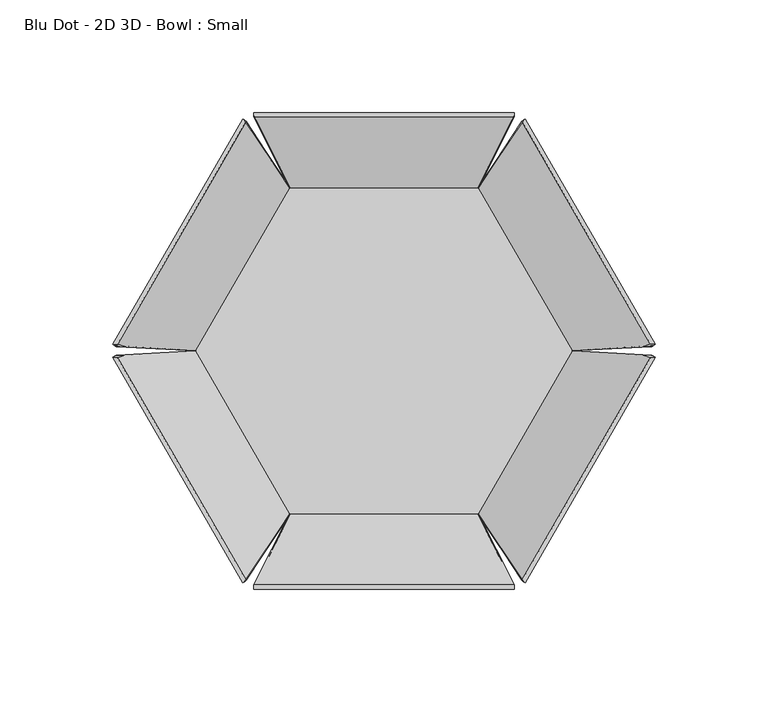
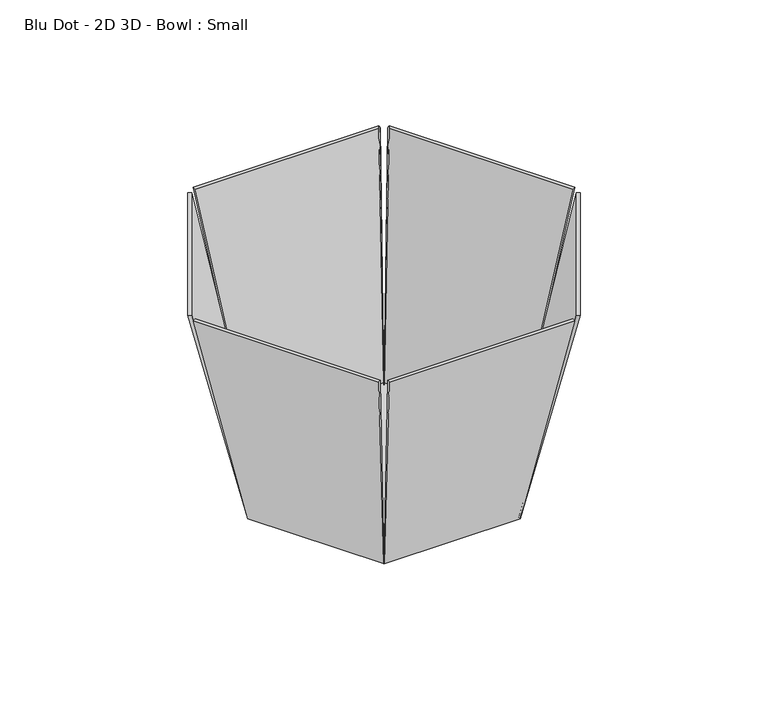
"""IFC4 building model written with IfcOpenShell, lengths in millimetres: furniture geometry, Blu Dot - 2D 3D - Bowl : Small."""

import ifcopenshell
import ifcopenshell.guid

model = None  # the IFC model being written
_history = None  # IfcOwnerHistory: only IFC2X3 demands one
_inside = {}  # id of a spatial element -> (the spatial element, [elements in it])
_under = {}  # id of a project, library or spatial element -> (it, [spatial elements below it])
_declared = {}  # id of a project -> (the project, [libraries it declares])
_typed = {}  # id of a type object -> (the type object, [elements of that type])
_made_of = {}  # id of a material, layer set ... -> (it, [elements and type objects made of it])


def new_model(schema):
    """Start an empty IFC model of exactly this schema.

    Asked for "IFC4X3", IfcOpenShell would pick the latest addendum, in which some entities
    have other attributes; the version numbers below select the first issue.
    IFC2X3 requires an IfcOwnerHistory on every rooted entity: one is made here for all.
    """
    global model, _history
    if schema == "IFC4X3":
        model = ifcopenshell.file(schema_version=(4, 3, 0, 0))
    else:
        model = ifcopenshell.file(schema=schema)
    _inside.clear()
    _under.clear()
    _declared.clear()
    _typed.clear()
    _made_of.clear()
    _history = None
    if model.schema == "IFC2X3":
        org = make("IfcOrganization", Name="unknown")
        user = make(
            "IfcPersonAndOrganization",
            ThePerson=make("IfcPerson", FamilyName="unknown"),
            TheOrganization=org,
        )
        app = make(
            "IfcApplication",
            ApplicationDeveloper=org,
            Version="unknown",
            ApplicationFullName="unknown",
            ApplicationIdentifier="unknown",
        )
        _history = make(
            "IfcOwnerHistory",
            OwningUser=user,
            OwningApplication=app,
            ChangeAction="ADDED",
            CreationDate=0,
        )
    return model


def make(cls, **values):
    """One entity of the class cls with the attributes given. An attribute that is None is left unset."""
    return model.create_entity(
        cls, **{name: value for name, value in values.items() if value is not None}
    )


def rooted(cls, **values):
    """An entity with a GlobalId (a new one), such as an element, a storey or a relation."""
    return make(cls, GlobalId=ifcopenshell.guid.new(), OwnerHistory=_history, **values)


def si_unit(unit_type, name, prefix=None):
    """IfcSIUnit, for example si_unit("LENGTHUNIT", "METRE", prefix="MILLI")."""
    return make("IfcSIUnit", UnitType=unit_type, Prefix=prefix, Name=name)


def assignment(units):
    """IfcUnitAssignment: the units of a project."""
    return None if units is None else make("IfcUnitAssignment", Units=units)


def point(xyz):
    """IfcCartesianPoint."""
    return None if xyz is None else make("IfcCartesianPoint", Coordinates=xyz)


def direction(xyz):
    """IfcDirection."""
    return None if xyz is None else make("IfcDirection", DirectionRatios=xyz)


def frame(location, z_axis=None, x_axis=None):
    """IfcAxis2Placement3D, a coordinate frame: its origin and axes. An axis left out is left unset."""
    return make(
        "IfcAxis2Placement3D",
        Location=point(location),
        Axis=direction(z_axis),
        RefDirection=direction(x_axis),
    )


def origin():
    """The frame at (0, 0, 0) with its axes left unset."""
    return frame((0.0, 0.0, 0.0))


def place(relative_to, where):
    """IfcLocalPlacement: puts the frame where relative to a parent placement (None: the world)."""
    return make(
        "IfcLocalPlacement", PlacementRelTo=relative_to, RelativePlacement=where
    )


def context(
    kind, dimensions, precision=None, world=None, true_north=None, identifier=None
):
    """IfcGeometricRepresentationContext, for example the 3D "Model" context."""
    return make(
        "IfcGeometricRepresentationContext",
        ContextIdentifier=identifier,
        ContextType=kind,
        CoordinateSpaceDimension=dimensions,
        Precision=precision,
        WorldCoordinateSystem=world,
        TrueNorth=true_north,
    )


def project(units=None, contexts=None):
    """IfcProject with its units and contexts."""
    return rooted(
        "IfcProject",
        Name="project",
        RepresentationContexts=contexts,
        UnitsInContext=assignment(units),
    )


def spatial(cls, under=None, at=None, **own):
    """A site, building, storey or space (cls), placed at a placement, below another one or the project."""
    s = rooted(cls, ObjectPlacement=at, **own)
    if under is not None:
        _under.setdefault(under.id(), (under, []))[1].append(s)
    return s


def polyline(points):
    """IfcPolyline through the points."""
    return make("IfcPolyline", Points=[point(p) for p in points])


def outline(outer, holes=None, kind="AREA"):
    """IfcArbitraryClosedProfileDef: a profile drawn as a closed curve; with holes, ...WithVoids."""
    if holes is None:
        return make("IfcArbitraryClosedProfileDef", ProfileType=kind, OuterCurve=outer)
    return make(
        "IfcArbitraryProfileDefWithVoids",
        ProfileType=kind,
        OuterCurve=outer,
        InnerCurves=holes,
    )


def extrude(swept, where, along, depth):
    """IfcExtrudedAreaSolid: the profile swept, set in the frame where, extruded along a direction by depth."""
    return make(
        "IfcExtrudedAreaSolid",
        SweptArea=swept,
        Position=where,
        ExtrudedDirection=direction(along),
        Depth=depth,
    )


def shape(context_of_items, identifier, shape_type, items):
    """IfcShapeRepresentation: the items that make up one representation, for example the "Body"."""
    return make(
        "IfcShapeRepresentation",
        ContextOfItems=context_of_items,
        RepresentationIdentifier=identifier,
        RepresentationType=shape_type,
        Items=items,
    )


def source(mapping_origin, context_of_items, identifier, shape_type, items):
    """IfcRepresentationMap: a shape defined once, which mapped items show again and again."""
    return make(
        "IfcRepresentationMap",
        MappingOrigin=mapping_origin,
        MappedRepresentation=shape(context_of_items, identifier, shape_type, items),
    )


def transform(
    local_origin,
    x_axis=None,
    y_axis=None,
    z_axis=None,
    scale=None,
    scale2=None,
    scale3=None,
    uniform=True,
):
    """IfcCartesianTransformationOperator3D, or its non-uniform kind. x_axis, y_axis, z_axis: its Axis1, 2, 3."""
    if uniform:
        return make(
            "IfcCartesianTransformationOperator3D",
            Axis1=direction(x_axis),
            Axis2=direction(y_axis),
            LocalOrigin=point(local_origin),
            Scale=scale,
            Axis3=direction(z_axis),
        )
    return make(
        "IfcCartesianTransformationOperator3DnonUniform",
        Axis1=direction(x_axis),
        Axis2=direction(y_axis),
        LocalOrigin=point(local_origin),
        Scale=scale,
        Axis3=direction(z_axis),
        Scale2=scale2,
        Scale3=scale3,
    )


def mapped(mapping_source, mapping_target):
    """IfcMappedItem: shows the shape of a source again, moved by a transform."""
    return make(
        "IfcMappedItem", MappingSource=mapping_source, MappingTarget=mapping_target
    )


def made_of(thing, what):
    """Note that an element or type object is made of a material, layer set ...; save() writes the relation."""
    if what is not None:
        _made_of.setdefault(what.id(), (what, []))[1].append(thing)
    return thing


def element(
    cls,
    number,
    at=None,
    inside=None,
    cuts=None,
    type_object=None,
    material=None,
    context=None,
    identifier="Body",
    shape_type=None,
    held_by="IfcProductDefinitionShape",
    body=None,
    shapes=None,
    **own,
):
    """One element of the class cls, such as IfcWall. Its Tag is "e" and its number.

    at: its placement. inside: the storey or other place that contains it. cuts: it is an
    opening in that element (IfcRelVoidsElement). A single representation is given by context,
    identifier, shape_type and body (its items); several are given by shapes. held_by: the class
    of the entity that holds the representations. save() writes the other relations.
    """
    e = rooted(cls, Tag="e%d" % number, ObjectPlacement=at, **own)
    if body is not None:
        shapes = [shape(context, identifier, shape_type, body)]
    if shapes is not None:
        e.Representation = make(held_by, Representations=shapes)
    if inside is not None:
        _inside.setdefault(inside.id(), (inside, []))[1].append(e)
    if cuts is not None:
        rooted(
            "IfcRelVoidsElement", RelatingBuildingElement=cuts, RelatedOpeningElement=e
        )
    if type_object is not None:
        _typed.setdefault(type_object.id(), (type_object, []))[1].append(e)
    return made_of(e, material)


def aggregate(whole, parts):
    """IfcRelAggregates: a whole, such as a stair, and the parts it consists of."""
    return rooted("IfcRelAggregates", RelatingObject=whole, RelatedObjects=parts)


def save(model, path):
    """Write the relations noted so far, then the file.

    IfcRelAggregates (storeys below a building ...), IfcRelContainedInSpatialStructure (elements
    in a storey), IfcRelDefinesByType, IfcRelAssociatesMaterial and IfcRelDeclares: one each for
    every whole, place, type object, material and project.
    """
    for whole, parts in _under.values():
        aggregate(whole, parts)
    for where, things in _inside.values():
        rooted(
            "IfcRelContainedInSpatialStructure",
            RelatedElements=things,
            RelatingStructure=where,
        )
    for kind, things in _typed.values():
        rooted("IfcRelDefinesByType", RelatedObjects=things, RelatingType=kind)
    for what, things in _made_of.values():
        rooted("IfcRelAssociatesMaterial", RelatedObjects=things, RelatingMaterial=what)
    for by, libraries in _declared.values():
        rooted("IfcRelDeclares", RelatingContext=by, RelatedDefinitions=libraries)
    model.write(path)


def plane_surface(at):
    """IfcPlane: the flat surface through the origin of the frame at, square to its z axis."""
    return make("IfcPlane", Position=at)


def spline_surface(u_degree, v_degree, points, u_multiplicities, v_multiplicities, u_knots, v_knots, weights=None):
    """IfcBSplineSurfaceWithKnots; with weights, IfcRationalBSplineSurfaceWithKnots. points: one row for each step in u."""
    own = dict(
        UDegree=u_degree,
        VDegree=v_degree,
        ControlPointsList=[[point(p) for p in row] for row in points],
        SurfaceForm="UNSPECIFIED",
        UClosed=False,
        VClosed=False,
        SelfIntersect=False,
        UMultiplicities=u_multiplicities,
        VMultiplicities=v_multiplicities,
        UKnots=u_knots,
        VKnots=v_knots,
        KnotSpec="UNSPECIFIED",
    )
    if weights is None:
        return make("IfcBSplineSurfaceWithKnots", **own)
    return make("IfcRationalBSplineSurfaceWithKnots", WeightsData=weights, **own)


def advanced_brep(points, edges, surfaces, faces):
    """IfcAdvancedBrep: a solid bounded by faces that lie on surfaces and meet in shared edges.

    An edge is (start, end): straight between two places in points (the first is 0);
    or (start, end, curve); or (start, end, curve, False) where it runs against its curve.
    A face is (place in surfaces, loops), or (place, loops, False) where it looks against
    its surface's normal. A loop lists edges by number (the first is 1), with a minus sign
    where the edge is run from its end to its start. The first loop is the outer one.
    """
    corners = [point(p) for p in points]
    vertices = [make("IfcVertexPoint", VertexGeometry=c) for c in corners]
    made = []
    for start, end, *more in edges:
        made.append(
            make(
                "IfcEdgeCurve",
                EdgeStart=vertices[start],
                EdgeEnd=vertices[end],
                EdgeGeometry=more[0] if more else make("IfcPolyline", Points=[corners[start], corners[end]]),
                SameSense=more[1] if len(more) > 1 else True,
            )
        )
    hull = []
    for where, loops, *sense in faces:
        bounds = []
        for j, loop in enumerate(loops):
            ring = [make("IfcOrientedEdge", EdgeElement=made[abs(k) - 1], Orientation=k > 0) for k in loop]
            bounds.append(
                make(
                    "IfcFaceOuterBound" if j == 0 else "IfcFaceBound",
                    Bound=make("IfcEdgeLoop", EdgeList=ring),
                    Orientation=True,
                )
            )
        hull.append(make("IfcAdvancedFace", Bounds=bounds, FaceSurface=surfaces[where], SameSense=sense[0] if sense else True))
    return make("IfcAdvancedBrep", Outer=make("IfcClosedShell", CfsFaces=hull))


def blu_dot_2d_3d_bowl_small_4125f60b(model_context):
    return source(origin(), model_context, "Body", "SolidModel", [
        extrude(outline(polyline([(-83.5657947, -6.6e-06), (-41.7828941, 72.3701), (41.7828941, 72.3701), (83.5657947, -6.6e-06), (41.7829018, -72.3701), (-41.7829018, -72.3701), (-83.5657947, -6.6e-06)])), frame((0.0, 0.0, 127.0), z_axis=(0.0, 0.0, 1.0), x_axis=(1.0, 0.0, 0.0)), (0.0, 0.0, 1.0), 1.4073938),
        advanced_brep(
        [(61.0913946, -101.9430887, 271.7559814), (62.7832964, -102.9199089, 271.7559814), (120.5228985, -2.9120087, 271.7559814), (118.8309967, -1.9351886, 271.7559814), (41.7828952, -72.3700939, 127.0), (83.5657922, -1.1e-05, 127.0), (84.9867923, -9.4e-06, 127.0), (42.4933936, -73.6007171, 127.0)],
        [
            (0, 1),
            (1, 2),
            (2, 3),
            (3, 0),
            (4, 5),
            (5, 6),
            (6, 7),
            (7, 4),
            (4, 0),
            (3, 5),
            (2, 6),
            (1, 7),
        ],
        [
            plane_surface(frame((90.8071465, -52.4275487, 271.7559814), z_axis=(0.0, 0.0, 1.0000000000000002), x_axis=(0.8660253512321979, -0.5000000910231401, 0.0))),
            plane_surface(frame((63.2072183, -36.4927079, 127.0), z_axis=(0.0, 0.0, -1.0000000000000002), x_axis=(0.8660253512321979, -0.5000000910231401, 0.0))),
            plane_surface(frame((62.6743437, -36.1850525, 127.0), z_axis=(-0.8462115932671279, 0.48856060975166266, 0.2126839674714399), x_axis=(-0.5000000910231401, -0.8660253512321978, 0.0))),
            spline_surface(1, 1, [[(84.9867923, -9.4e-06, 127.0), (120.5228985, -2.9120087, 271.7559814)], [(83.5657922, -1.1e-05, 127.0), (118.8309967, -1.9351886, 271.7559814)]], [2, 2], [2, 2], [0.0, 1.0], [0.0, 1.0]),
            plane_surface(frame((63.740093, -36.8003632, 127.0), z_axis=(0.8453245469637243, -0.4880484732052988, -0.21733637086910054), x_axis=(0.5000000910231401, 0.8660253512321978, 0.0))),
            spline_surface(1, 1, [[(41.7828952, -72.3700939, 127.0), (61.0913946, -101.9430887, 271.7559814)], [(42.4933936, -73.6007171, 127.0), (62.7832964, -102.9199089, 271.7559814)]], [2, 2], [2, 2], [0.0, 1.0], [0.0, 1.0]),
        ],
        [
            (0, [[1, 2, 3, 4]]),
            (1, [[5, 6, 7, 8]]),
            (2, [[-5, 9, -4, 10]]),
            (3, [[-6, -10, -3, 11]]),
            (4, [[-7, -11, -2, 12]]),
            (5, [[-8, -12, -1, -9]]),
        ],
    ),
        advanced_brep(
        [(61.0913946, 101.9430887, 271.7559814), (118.8309967, 1.9351886, 271.7559814), (120.5228985, 2.9120087, 271.7559814), (62.7832964, 102.9199089, 271.7559814), (41.7828952, 72.3700939, 127.0), (42.4933936, 73.6007171, 127.0), (84.9867923, 9.4e-06, 127.0), (83.5657922, 1.1e-05, 127.0)],
        [
            (0, 1),
            (1, 2),
            (2, 3),
            (3, 0),
            (4, 5),
            (5, 6),
            (6, 7),
            (7, 4),
            (7, 1),
            (0, 4),
            (6, 2),
            (5, 3),
        ],
        [
            plane_surface(frame((90.8071465, 52.4275487, 271.7559814), z_axis=(0.0, 0.0, 1.0), x_axis=(0.5000000910231401, -0.8660253512321978, 0.0))),
            plane_surface(frame((63.2072183, 36.4927079, 127.0), z_axis=(0.0, 0.0, -1.0), x_axis=(0.5000000910231401, -0.8660253512321978, 0.0))),
            plane_surface(frame((62.6743437, 36.1850525, 127.0), z_axis=(-0.8462115932671279, -0.48856060975166266, 0.21268396747143997), x_axis=(0.5000000910231401, -0.8660253512321978, 0.0))),
            spline_surface(1, 1, [[(83.5657922, 1.1e-05, 127.0), (118.8309967, 1.9351886, 271.7559814)], [(84.9867923, 9.4e-06, 127.0), (120.5228985, 2.9120087, 271.7559814)]], [2, 2], [2, 2], [0.0, 1.0], [0.0, 1.0]),
            plane_surface(frame((63.740093, 36.8003632, 127.0), z_axis=(0.8453245469637243, 0.4880484732052988, -0.21733637086910046), x_axis=(-0.5000000910231401, 0.8660253512321978, 0.0))),
            spline_surface(1, 1, [[(42.4933936, 73.6007171, 127.0), (62.7832964, 102.9199089, 271.7559814)], [(41.7828952, 72.3700939, 127.0), (61.0913946, 101.9430887, 271.7559814)]], [2, 2], [2, 2], [0.0, 1.0], [0.0, 1.0]),
        ],
        [
            (0, [[1, 2, 3, 4]]),
            (1, [[5, 6, 7, 8]]),
            (2, [[-8, 9, -1, 10]]),
            (3, [[-7, 11, -2, -9]]),
            (4, [[-6, 12, -3, -11]]),
            (5, [[-5, -10, -4, -12]]),
        ],
    ),
        advanced_brep(
        [(-61.0913946, -101.9430887, 271.7559814), (-118.8309967, -1.9351886, 271.7559814), (-120.5228985, -2.9120087, 271.7559814), (-62.7832964, -102.9199089, 271.7559814), (-41.7828952, -72.3700939, 127.0), (-42.4933936, -73.6007171, 127.0), (-84.9867923, -9.4e-06, 127.0), (-83.5657922, -1.1e-05, 127.0)],
        [
            (0, 1),
            (1, 2),
            (2, 3),
            (3, 0),
            (4, 5),
            (5, 6),
            (6, 7),
            (7, 4),
            (7, 1),
            (0, 4),
            (6, 2),
            (5, 3),
        ],
        [
            plane_surface(frame((-90.8071465, -52.4275487, 271.7559814), z_axis=(0.0, 0.0, 1.0), x_axis=(-0.5000000910231401, 0.8660253512321978, 0.0))),
            plane_surface(frame((-63.2072183, -36.4927079, 127.0), z_axis=(0.0, 0.0, -1.0), x_axis=(-0.5000000910231401, 0.8660253512321978, 0.0))),
            plane_surface(frame((-62.6743437, -36.1850525, 127.0), z_axis=(0.846211593267128, 0.4885606097516627, 0.21268396747143967), x_axis=(-0.5000000910231401, 0.8660253512321978, 0.0))),
            spline_surface(1, 1, [[(-83.5657922, -1.1e-05, 127.0), (-118.8309967, -1.9351886, 271.7559814)], [(-84.9867923, -9.4e-06, 127.0), (-120.5228985, -2.9120087, 271.7559814)]], [2, 2], [2, 2], [0.0, 1.0], [0.0, 1.0]),
            plane_surface(frame((-63.740093, -36.8003632, 127.0), z_axis=(-0.8453245469637243, -0.4880484732052988, -0.2173363708691003), x_axis=(0.5000000910231401, -0.8660253512321978, 0.0))),
            spline_surface(1, 1, [[(-42.4933936, -73.6007171, 127.0), (-62.7832964, -102.9199089, 271.7559814)], [(-41.7828952, -72.3700939, 127.0), (-61.0913946, -101.9430887, 271.7559814)]], [2, 2], [2, 2], [0.0, 1.0], [0.0, 1.0]),
        ],
        [
            (0, [[1, 2, 3, 4]]),
            (1, [[5, 6, 7, 8]]),
            (2, [[-8, 9, -1, 10]]),
            (3, [[-7, 11, -2, -9]]),
            (4, [[-6, 12, -3, -11]]),
            (5, [[-5, -10, -4, -12]]),
        ],
    ),
        advanced_brep(
        [(-61.0913946, 101.9430887, 271.7559814), (-62.7832964, 102.9199089, 271.7559814), (-120.5228985, 2.9120087, 271.7559814), (-118.8309967, 1.9351886, 271.7559814), (-41.7828952, 72.3700939, 127.0), (-83.5657922, 1.1e-05, 127.0), (-84.9867923, 9.4e-06, 127.0), (-42.4933936, 73.6007171, 127.0)],
        [
            (0, 1),
            (1, 2),
            (2, 3),
            (3, 0),
            (4, 5),
            (5, 6),
            (6, 7),
            (7, 4),
            (4, 0),
            (3, 5),
            (2, 6),
            (1, 7),
        ],
        [
            plane_surface(frame((-90.8071465, 52.4275487, 271.7559814), z_axis=(0.0, 0.0, 1.0), x_axis=(-0.8660253512321978, 0.5000000910231401, 0.0))),
            plane_surface(frame((-63.2072183, 36.4927079, 127.0), z_axis=(0.0, 0.0, -1.0), x_axis=(-0.8660253512321978, 0.5000000910231401, 0.0))),
            plane_surface(frame((-62.6743437, 36.1850525, 127.0), z_axis=(0.846211593267128, -0.4885606097516627, 0.21268396747143967), x_axis=(0.5000000910231401, 0.8660253512321978, 0.0))),
            spline_surface(1, 1, [[(-84.9867923, 9.4e-06, 127.0), (-120.5228985, 2.9120087, 271.7559814)], [(-83.5657922, 1.1e-05, 127.0), (-118.8309967, 1.9351886, 271.7559814)]], [2, 2], [2, 2], [0.0, 1.0], [0.0, 1.0]),
            plane_surface(frame((-63.740093, 36.8003632, 127.0), z_axis=(-0.8453245469637243, 0.4880484732052988, -0.2173363708691002), x_axis=(-0.5000000910231401, -0.8660253512321978, 0.0))),
            spline_surface(1, 1, [[(-41.7828952, 72.3700939, 127.0), (-61.0913946, 101.9430887, 271.7559814)], [(-42.4933936, 73.6007171, 127.0), (-62.7832964, 102.9199089, 271.7559814)]], [2, 2], [2, 2], [0.0, 1.0], [0.0, 1.0]),
        ],
        [
            (0, [[1, 2, 3, 4]]),
            (1, [[5, 6, 7, 8]]),
            (2, [[-5, 9, -4, 10]]),
            (3, [[-6, -10, -3, 11]]),
            (4, [[-7, -11, -2, 12]]),
            (5, [[-8, -12, -1, -9]]),
        ],
    ),
        advanced_brep(
        [(57.7395964, 103.8782501, 271.7559814), (57.7395964, 105.8318901, 271.7559814), (-57.7395868, 105.8318901, 271.7559814), (-57.7395868, 103.8782501, 271.7559814), (41.7828846, 72.3701, 127.0), (-41.7828941, 72.3701, 127.0), (-42.4933958, 73.6007214, 127.0), (42.4933863, 73.6007214, 127.0)],
        [
            (0, 1),
            (1, 2),
            (2, 3),
            (3, 0),
            (4, 5),
            (5, 6),
            (6, 7),
            (7, 4),
            (4, 0),
            (3, 5),
            (2, 6),
            (1, 7),
        ],
        [
            plane_surface(frame((4.8e-06, 104.8550701, 271.7559814), z_axis=(0.0, 0.0, 1.0), x_axis=(0.0, 1.0, 0.0))),
            plane_surface(frame((-4.8e-06, 72.9854107, 127.0), z_axis=(0.0, 0.0, -1.0), x_axis=(0.0, 1.0, 0.0))),
            plane_surface(frame((-4.8e-06, 72.3701, 127.0), z_axis=(0.0, -0.9771210416220744, 0.21268396747143997), x_axis=(1.0, 0.0, 0.0))),
            spline_surface(1, 1, [[(-42.4933958, 73.6007214, 127.0), (-57.7395868, 105.8318901, 271.7559814)], [(-41.7828941, 72.3701, 127.0), (-57.7395868, 103.8782501, 271.7559814)]], [2, 2], [2, 2], [0.0, 1.0], [0.0, 1.0]),
            plane_surface(frame((-4.8e-06, 73.6007214, 127.0), z_axis=(0.0, 0.9760967687158117, -0.2173363708691007), x_axis=(-1.0, 0.0, 0.0))),
            spline_surface(1, 1, [[(41.7828846, 72.3701, 127.0), (57.7395964, 103.8782501, 271.7559814)], [(42.4933863, 73.6007214, 127.0), (57.7395964, 105.8318901, 271.7559814)]], [2, 2], [2, 2], [0.0, 1.0], [0.0, 1.0]),
        ],
        [
            (0, [[1, 2, 3, 4]]),
            (1, [[5, 6, 7, 8]]),
            (2, [[-5, 9, -4, 10]]),
            (3, [[-6, -10, -3, 11]]),
            (4, [[-7, -11, -2, 12]]),
            (5, [[-8, -12, -1, -9]]),
        ],
    ),
        advanced_brep(
        [(57.7395964, -103.8782501, 271.7559814), (-57.7395868, -103.8782501, 271.7559814), (-57.7395868, -105.8318901, 271.7559814), (57.7395964, -105.8318901, 271.7559814), (41.7828846, -72.3701, 127.0), (42.4933863, -73.6007214, 127.0), (-42.4933958, -73.6007214, 127.0), (-41.7828941, -72.3701, 127.0)],
        [
            (0, 1),
            (1, 2),
            (2, 3),
            (3, 0),
            (4, 5),
            (5, 6),
            (6, 7),
            (7, 4),
            (7, 1),
            (0, 4),
            (6, 2),
            (5, 3),
        ],
        [
            plane_surface(frame((4.8e-06, -104.8550701, 271.7559814), z_axis=(0.0, 0.0, 1.0), x_axis=(-1.0, 0.0, 0.0))),
            plane_surface(frame((-4.8e-06, -72.9854107, 127.0), z_axis=(0.0, 0.0, -1.0), x_axis=(-1.0, 0.0, 0.0))),
            plane_surface(frame((-4.8e-06, -72.3701, 127.0), z_axis=(0.0, 0.9771210416220744, 0.21268396747144003), x_axis=(-1.0, 0.0, 0.0))),
            spline_surface(1, 1, [[(-41.7828941, -72.3701, 127.0), (-57.7395868, -103.8782501, 271.7559814)], [(-42.4933958, -73.6007214, 127.0), (-57.7395868, -105.8318901, 271.7559814)]], [2, 2], [2, 2], [0.0, 1.0], [0.0, 1.0]),
            plane_surface(frame((-4.8e-06, -73.6007214, 127.0), z_axis=(0.0, -0.9760967687158117, -0.21733637086910076), x_axis=(1.0, 0.0, 0.0))),
            spline_surface(1, 1, [[(42.4933863, -73.6007214, 127.0), (57.7395964, -105.8318901, 271.7559814)], [(41.7828846, -72.3701, 127.0), (57.7395964, -103.8782501, 271.7559814)]], [2, 2], [2, 2], [0.0, 1.0], [0.0, 1.0]),
        ],
        [
            (0, [[1, 2, 3, 4]]),
            (1, [[5, 6, 7, 8]]),
            (2, [[-8, 9, -1, 10]]),
            (3, [[-7, 11, -2, -9]]),
            (4, [[-6, 12, -3, -11]]),
            (5, [[-5, -10, -4, -12]]),
        ],
    ),
    ])


if __name__ == "__main__":
    model = new_model("IFC4")
    model_context = context("Model", 3, world=origin())
    ifc_project = project(units=[si_unit("LENGTHUNIT", "METRE", prefix="MILLI")], contexts=[model_context])
    site = spatial("IfcSite", under=ifc_project)
    building = spatial("IfcBuilding", under=site)
    placement = place(None, origin())
    blu_dot_2d_3d_bowl_small_shape = blu_dot_2d_3d_bowl_small_4125f60b(model_context)
    element("IfcFurniture", 1, ObjectType="Blu Dot - 2D 3D - Bowl : Small", at=placement, inside=building, context=model_context, shape_type="MappedRepresentation", body=[
        mapped(blu_dot_2d_3d_bowl_small_shape, transform((0.0, 0.0, 0.0), x_axis=(1.0, 0.0, 0.0), y_axis=(0.0, 1.0, 0.0), z_axis=(0.0, 0.0, 1.0))),
    ])
    save(model, "model.ifc")
